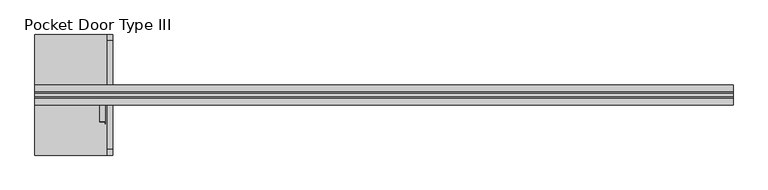
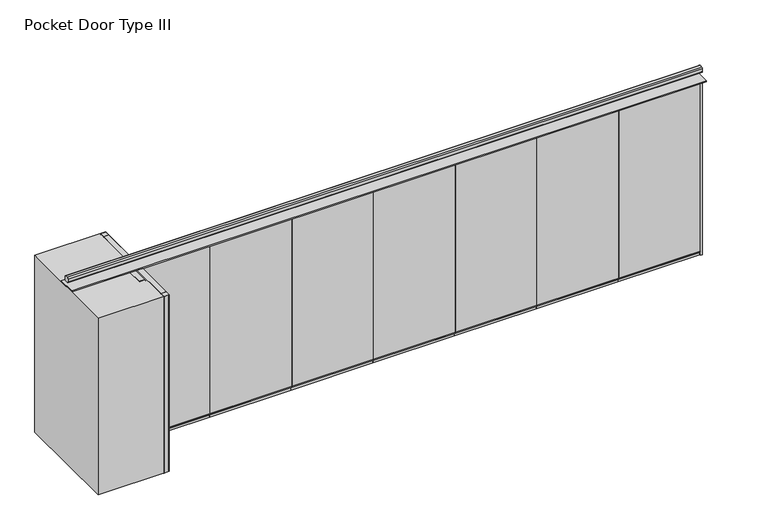
"""IFC4 building model written with IfcOpenShell, lengths in millimetres: proxy geometry, Pocket Door Type III."""

from ifc_helpers import new_model, si_unit, point, frame, frame_2d, origin, origin_with_axes, place, context, project, spatial, polyline, circle_curve, trimmed, segment, composite_curve, outline, extrude, source, transform, mapped, element, save


def pocket_door_type_iii_32455fe4(model_context):
    return source(origin(), model_context, "Body", "SweptSolid", [
        extrude(outline(polyline([(19.05, 0.0), (-19.05, 0.0), (-19.05, 50.8), (-38.1, 50.8), (-38.1, 66.675), (38.1, 66.675), (38.1, 50.8), (19.05, 50.8), (19.05, 0.0)])), frame((4362.6178354, 0.0, 0.0), z_axis=(1.0, 0.0, 0.0), x_axis=(0.0, 1.0, 0.0)), (0.0, 0.0, 1.0), 1192.8928571),
        extrude(outline(polyline([(5555.5106926, -38.1), (4362.6178354, -38.1), (4362.6178354, 38.1), (5555.5106926, 38.1), (5555.5106926, -38.1)])), frame((0.0, 0.0, 2679.7), z_axis=(0.0, 0.0, 1.0), x_axis=(1.0, 0.0, 0.0)), (0.0, 0.0, 1.0), 44.45),
        extrude(outline(polyline([(5555.1574738, 38.1), (5555.1574738, -38.1), (4362.8718354, -38.1), (4362.8718354, 38.1), (5555.1574738, 38.1)])), frame((0.0, 0.0, 66.675), z_axis=(0.0, 0.0, 1.0), x_axis=(1.0, 0.0, 0.0)), (0.0, 0.0, 1.0), 2613.025),
        extrude(outline(polyline([(19.05, 0.0), (-19.05, 0.0), (-19.05, 50.8), (-38.1, 50.8), (-38.1, 66.675), (38.1, 66.675), (38.1, 50.8), (19.05, 50.8), (19.05, 0.0)])), frame((3169.7249783, 0.0, 0.0), z_axis=(1.0, 0.0, 0.0), x_axis=(0.0, 1.0, 0.0)), (0.0, 0.0, 1.0), 1192.8928571),
        extrude(outline(polyline([(4362.6178354, -38.1), (3169.7249783, -38.1), (3169.7249783, 38.1), (4362.6178354, 38.1), (4362.6178354, -38.1)])), frame((0.0, 0.0, 2679.7), z_axis=(0.0, 0.0, 1.0), x_axis=(1.0, 0.0, 0.0)), (0.0, 0.0, 1.0), 44.45),
        extrude(outline(polyline([(4362.2646167, 38.1), (4362.2646167, -38.1), (3169.9789783, -38.1), (3169.9789783, 38.1), (4362.2646167, 38.1)])), frame((0.0, 0.0, 66.675), z_axis=(0.0, 0.0, 1.0), x_axis=(1.0, 0.0, 0.0)), (0.0, 0.0, 1.0), 2613.025),
        extrude(outline(polyline([(19.05, 0.0), (-19.05, 0.0), (-19.05, 50.8), (-38.1, 50.8), (-38.1, 66.675), (38.1, 66.675), (38.1, 50.8), (19.05, 50.8), (19.05, 0.0)])), frame((1976.8321211, 0.0, 0.0), z_axis=(1.0, 0.0, 0.0), x_axis=(0.0, 1.0, 0.0)), (0.0, 0.0, 1.0), 1192.8928571),
        extrude(outline(polyline([(3169.7249783, -38.1), (1976.8321211, -38.1), (1976.8321211, 38.1), (3169.7249783, 38.1), (3169.7249783, -38.1)])), frame((0.0, 0.0, 2679.7), z_axis=(0.0, 0.0, 1.0), x_axis=(1.0, 0.0, 0.0)), (0.0, 0.0, 1.0), 44.45),
        extrude(outline(polyline([(3169.3717595, 38.1), (3169.3717595, -38.1), (1977.0861211, -38.1), (1977.0861211, 38.1), (3169.3717595, 38.1)])), frame((0.0, 0.0, 66.675), z_axis=(0.0, 0.0, 1.0), x_axis=(1.0, 0.0, 0.0)), (0.0, 0.0, 1.0), 2613.025),
        extrude(outline(polyline([(19.05, 0.0), (-19.05, 0.0), (-19.05, 50.8), (-38.1, 50.8), (-38.1, 66.675), (38.1, 66.675), (38.1, 50.8), (19.05, 50.8), (19.05, 0.0)])), frame((783.939264, 0.0, 0.0), z_axis=(1.0, 0.0, 0.0), x_axis=(0.0, 1.0, 0.0)), (0.0, 0.0, 1.0), 1192.8928571),
        extrude(outline(polyline([(1976.8321211, -38.1), (783.939264, -38.1), (783.939264, 38.1), (1976.8321211, 38.1), (1976.8321211, -38.1)])), frame((0.0, 0.0, 2679.7), z_axis=(0.0, 0.0, 1.0), x_axis=(1.0, 0.0, 0.0)), (0.0, 0.0, 1.0), 44.45),
        extrude(outline(polyline([(1976.4789024, 38.1), (1976.4789024, -38.1), (784.193264, -38.1), (784.193264, 38.1), (1976.4789024, 38.1)])), frame((0.0, 0.0, 66.675), z_axis=(0.0, 0.0, 1.0), x_axis=(1.0, 0.0, 0.0)), (0.0, 0.0, 1.0), 2613.025),
        extrude(outline(polyline([(19.05, 0.0), (-19.05, 0.0), (-19.05, 50.8), (-38.1, 50.8), (-38.1, 66.675), (38.1, 66.675), (38.1, 50.8), (19.05, 50.8), (19.05, 0.0)])), frame((-408.9535931, 0.0, 0.0), z_axis=(1.0, 0.0, 0.0), x_axis=(0.0, 1.0, 0.0)), (0.0, 0.0, 1.0), 1192.8928571),
        extrude(outline(polyline([(783.939264, -38.1), (-408.9535931, -38.1), (-408.9535931, 38.1), (783.939264, 38.1), (783.939264, -38.1)])), frame((0.0, 0.0, 2679.7), z_axis=(0.0, 0.0, 1.0), x_axis=(1.0, 0.0, 0.0)), (0.0, 0.0, 1.0), 44.45),
        extrude(outline(polyline([(783.5860452, 38.1), (783.5860452, -38.1), (-408.6995931, -38.1), (-408.6995931, 38.1), (783.5860452, 38.1)])), frame((0.0, 0.0, 66.675), z_axis=(0.0, 0.0, 1.0), x_axis=(1.0, 0.0, 0.0)), (0.0, 0.0, 1.0), 2613.025),
        extrude(outline(composite_curve([segment(polyline([(-1500.2464503, -82.55), (-1500.2464503, -120.65)]), True, "CONTINUOUS"), segment(trimmed(circle_curve(frame_2d((-1506.5964503, -120.65)), 6.35), [point((-1500.2464503, -120.65))], [point((-1506.5964503, -127.0))], False, "CARTESIAN"), True, "CONTINUOUS"), segment(polyline([(-1506.5964503, -127.0), (-1519.2964503, -127.0)]), True, "CONTINUOUS"), segment(trimmed(circle_curve(frame_2d((-1519.2964503, -120.65)), 6.35), [point((-1519.2964503, -127.0))], [point((-1525.6464503, -120.65))], False, "CARTESIAN"), True, "CONTINUOUS"), segment(polyline([(-1525.6464503, -120.65), (-1525.6464503, -38.1), (-1449.4464503, -38.1), (-1449.4464503, -120.65)]), True, "CONTINUOUS"), segment(trimmed(circle_curve(frame_2d((-1455.7964503, -120.65)), 6.35), [point((-1449.4464503, -120.65))], [point((-1455.7964503, -127.0))], False, "CARTESIAN"), True, "CONTINUOUS"), segment(polyline([(-1455.7964503, -127.0), (-1468.4964503, -127.0)]), True, "CONTINUOUS"), segment(trimmed(circle_curve(frame_2d((-1468.4964503, -120.65)), 6.35), [point((-1468.4964503, -127.0))], [point((-1474.8464503, -120.65))], False, "CARTESIAN"), True, "CONTINUOUS"), segment(polyline([(-1474.8464503, -120.65), (-1474.8464503, -82.55), (-1500.2464503, -82.55)]), True, "CONTINUOUS")], self_intersect=False)), origin_with_axes(), (0.0, 0.0, 1.0), 2724.15),
        extrude(outline(composite_curve([segment(polyline([(-1449.4464503, 721.5667931), (-1449.4464503, 129.3332069)]), True, "CONTINUOUS"), segment(trimmed(circle_curve(frame_2d((-1451.7796571, 129.3332069)), 2.3332069), [point((-1449.4464503, 129.3332069))], [point((-1451.7796571, 127.0))], False, "CARTESIAN"), True, "CONTINUOUS"), segment(polyline([(-1451.7796571, 127.0), (-1523.3132434, 127.0)]), True, "CONTINUOUS"), segment(trimmed(circle_curve(frame_2d((-1523.3132434, 129.3332069)), 2.3332069), [point((-1523.3132434, 127.0))], [point((-1525.6464503, 129.3332069))], False, "CARTESIAN"), True, "CONTINUOUS"), segment(polyline([(-1525.6464503, 129.3332069), (-1525.6464503, 721.5667931)]), True, "CONTINUOUS"), segment(trimmed(circle_curve(frame_2d((-1523.3132434, 721.5667931)), 2.3332069), [point((-1525.6464503, 721.5667931))], [point((-1523.3132434, 723.9))], False, "CARTESIAN"), True, "CONTINUOUS"), segment(polyline([(-1523.3132434, 723.9), (-1451.7796571, 723.9)]), True, "CONTINUOUS"), segment(trimmed(circle_curve(frame_2d((-1451.7796571, 721.5667931)), 2.3332069), [point((-1451.7796571, 723.9))], [point((-1449.4464503, 721.5667931))], False, "CARTESIAN"), True, "CONTINUOUS")], self_intersect=False)), origin_with_axes(), (0.0, 0.0, 1.0), 2724.15),
        extrude(outline(polyline([(-1551.0464503, -358.775), (-1627.2464503, -358.775), (-1627.2464503, -355.6), (-1547.8714503, -355.6), (-1547.8714503, -382.5875), (-1551.0464503, -382.5875), (-1551.0464503, -358.775)])), origin_with_axes(), (0.0, 0.0, 1.0), 2724.15),
        extrude(outline(composite_curve([segment(polyline([(-1627.2464503, -355.6), (-1627.2464503, -129.3332069)]), True, "CONTINUOUS"), segment(trimmed(circle_curve(frame_2d((-1624.9132434, -129.3332069)), 2.3332069), [point((-1627.2464503, -129.3332069))], [point((-1624.9132434, -127.0))], False, "CARTESIAN"), True, "CONTINUOUS"), segment(polyline([(-1624.9132434, -127.0), (-1553.3796571, -127.0)]), True, "CONTINUOUS"), segment(trimmed(circle_curve(frame_2d((-1553.3796571, -129.3332069)), 2.3332069), [point((-1553.3796571, -127.0))], [point((-1551.0464503, -129.3332069))], False, "CARTESIAN"), True, "CONTINUOUS"), segment(polyline([(-1551.0464503, -129.3332069), (-1551.0464503, -353.2667931)]), True, "CONTINUOUS"), segment(trimmed(circle_curve(frame_2d((-1553.3796571, -353.2667931)), 2.3332069), [point((-1551.0464503, -353.2667931))], [point((-1553.3796571, -355.6))], False, "CARTESIAN"), True, "CONTINUOUS"), segment(polyline([(-1553.3796571, -355.6), (-1627.2464503, -355.6)]), True, "CONTINUOUS")], self_intersect=False)), origin_with_axes(), (0.0, 0.0, 1.0), 2724.15),
        extrude(outline(polyline([(-1449.4464503, 123.825), (-1525.6464503, 123.825), (-1525.6464503, 127.0), (-1446.2714503, 127.0), (-1446.2714503, 101.6), (-1449.4464503, 101.6), (-1449.4464503, 123.825)])), origin_with_axes(), (0.0, 0.0, 1.0), 2724.15),
        extrude(outline(composite_curve([segment(polyline([(-1449.4464503, 797.7667931), (-1449.4464503, 726.2332069)]), True, "CONTINUOUS"), segment(trimmed(circle_curve(frame_2d((-1451.7796571, 726.2332069)), 2.3332069), [point((-1449.4464503, 726.2332069))], [point((-1451.7796571, 723.9))], False, "CARTESIAN"), True, "CONTINUOUS"), segment(polyline([(-1451.7796571, 723.9), (-1523.3132434, 723.9)]), True, "CONTINUOUS"), segment(trimmed(circle_curve(frame_2d((-1523.3132434, 726.2332069)), 2.3332069), [point((-1523.3132434, 723.9))], [point((-1525.6464503, 726.2332069))], False, "CARTESIAN"), True, "CONTINUOUS"), segment(polyline([(-1525.6464503, 726.2332069), (-1525.6464503, 797.7667931)]), True, "CONTINUOUS"), segment(trimmed(circle_curve(frame_2d((-1523.3132434, 797.7667931)), 2.3332069), [point((-1525.6464503, 797.7667931))], [point((-1523.3132434, 800.1))], False, "CARTESIAN"), True, "CONTINUOUS"), segment(polyline([(-1523.3132434, 800.1), (-1451.7796571, 800.1)]), True, "CONTINUOUS"), segment(trimmed(circle_curve(frame_2d((-1451.7796571, 797.7667931)), 2.3332069), [point((-1451.7796571, 800.1))], [point((-1449.4464503, 797.7667931))], False, "CARTESIAN"), True, "CONTINUOUS")], self_intersect=False)), origin_with_axes(), (0.0, 0.0, 1.0), 2724.15),
        extrude(outline(composite_curve([segment(polyline([(-1449.4464503, -726.2332069), (-1449.4464503, -797.7667931)]), True, "CONTINUOUS"), segment(trimmed(circle_curve(frame_2d((-1451.7796571, -797.7667931)), 2.3332069), [point((-1449.4464503, -797.7667931))], [point((-1451.7796571, -800.1))], False, "CARTESIAN"), True, "CONTINUOUS"), segment(polyline([(-1451.7796571, -800.1), (-1523.3132434, -800.1)]), True, "CONTINUOUS"), segment(trimmed(circle_curve(frame_2d((-1523.3132434, -797.7667931)), 2.3332069), [point((-1523.3132434, -800.1))], [point((-1525.6464503, -797.7667931))], False, "CARTESIAN"), True, "CONTINUOUS"), segment(polyline([(-1525.6464503, -797.7667931), (-1525.6464503, -726.2332069)]), True, "CONTINUOUS"), segment(trimmed(circle_curve(frame_2d((-1523.3132434, -726.2332069)), 2.3332069), [point((-1525.6464503, -726.2332069))], [point((-1523.3132434, -723.9))], False, "CARTESIAN"), True, "CONTINUOUS"), segment(polyline([(-1523.3132434, -723.9), (-1451.7796571, -723.9)]), True, "CONTINUOUS"), segment(trimmed(circle_curve(frame_2d((-1451.7796571, -726.2332069)), 2.3332069), [point((-1451.7796571, -723.9))], [point((-1449.4464503, -726.2332069))], False, "CARTESIAN"), True, "CONTINUOUS")], self_intersect=False)), origin_with_axes(), (0.0, 0.0, 1.0), 2724.15),
        extrude(outline(composite_curve([segment(polyline([(-1449.4464503, -129.3332069), (-1449.4464503, -721.5667931)]), True, "CONTINUOUS"), segment(trimmed(circle_curve(frame_2d((-1451.7796571, -721.5667931)), 2.3332069), [point((-1449.4464503, -721.5667931))], [point((-1451.7796571, -723.9))], False, "CARTESIAN"), True, "CONTINUOUS"), segment(polyline([(-1451.7796571, -723.9), (-1523.3132434, -723.9)]), True, "CONTINUOUS"), segment(trimmed(circle_curve(frame_2d((-1523.3132434, -721.5667931)), 2.3332069), [point((-1523.3132434, -723.9))], [point((-1525.6464503, -721.5667931))], False, "CARTESIAN"), True, "CONTINUOUS"), segment(polyline([(-1525.6464503, -721.5667931), (-1525.6464503, -129.3332069)]), True, "CONTINUOUS"), segment(trimmed(circle_curve(frame_2d((-1523.3132434, -129.3332069)), 2.3332069), [point((-1525.6464503, -129.3332069))], [point((-1523.3132434, -127.0))], False, "CARTESIAN"), True, "CONTINUOUS"), segment(polyline([(-1523.3132434, -127.0), (-1451.7796571, -127.0)]), True, "CONTINUOUS"), segment(trimmed(circle_curve(frame_2d((-1451.7796571, -129.3332069)), 2.3332069), [point((-1451.7796571, -127.0))], [point((-1449.4464503, -129.3332069))], False, "CARTESIAN"), True, "CONTINUOUS")], self_intersect=False)), origin_with_axes(), (0.0, 0.0, 1.0), 2724.15),
        extrude(outline(polyline([(6780.1535497, -38.1), (6748.4035497, -38.1), (6748.4035497, 38.1), (6780.1535497, 38.1), (6780.1535497, -38.1)])), origin_with_axes(), (0.0, 0.0, 1.0), 2724.15),
        extrude(outline(polyline([(19.05, 0.0), (-19.05, 0.0), (-19.05, 50.8), (-38.1, 50.8), (-38.1, 66.675), (38.1, 66.675), (38.1, 50.8), (19.05, 50.8), (19.05, 0.0)])), frame((5555.5106926, 0.0, 0.0), z_axis=(1.0, 0.0, 0.0), x_axis=(0.0, 1.0, 0.0)), (0.0, 0.0, 1.0), 1192.8928571),
        extrude(outline(polyline([(6748.4035497, -38.1), (5555.5106926, -38.1), (5555.5106926, 38.1), (6748.4035497, 38.1), (6748.4035497, -38.1)])), frame((0.0, 0.0, 2679.7), z_axis=(0.0, 0.0, 1.0), x_axis=(1.0, 0.0, 0.0)), (0.0, 0.0, 1.0), 44.45),
        extrude(outline(polyline([(6748.050331, 38.1), (6748.050331, -38.1), (5555.7646926, -38.1), (5555.7646926, 38.1), (6748.050331, 38.1)])), frame((0.0, 0.0, 66.675), z_axis=(0.0, 0.0, 1.0), x_axis=(1.0, 0.0, 0.0)), (0.0, 0.0, 1.0), 2613.025),
        extrude(outline(polyline([(19.05, 0.0), (-19.05, 0.0), (-19.05, 50.8), (-38.1, 50.8), (-38.1, 66.675), (38.1, 66.675), (38.1, 50.8), (19.05, 50.8), (19.05, 0.0)])), frame((-1601.8464503, 0.0, 0.0), z_axis=(1.0, 0.0, 0.0), x_axis=(0.0, 1.0, 0.0)), (0.0, 0.0, 1.0), 1192.8928571),
        extrude(outline(polyline([(-408.9535931, -38.1), (-1601.8464503, -38.1), (-1601.8464503, 38.1), (-408.9535931, 38.1), (-408.9535931, -38.1)])), frame((0.0, 0.0, 2679.7), z_axis=(0.0, 0.0, 1.0), x_axis=(1.0, 0.0, 0.0)), (0.0, 0.0, 1.0), 44.45),
        extrude(outline(polyline([(-409.3068119, 38.1), (-409.3068119, -38.1), (-1601.5924503, -38.1), (-1601.5924503, 38.1), (-409.3068119, 38.1)])), frame((0.0, 0.0, 66.675), z_axis=(0.0, 0.0, 1.0), x_axis=(1.0, 0.0, 0.0)), (0.0, 0.0, 1.0), 2613.025),
        extrude(outline(polyline([(-1449.4464503, 800.1), (-1449.4464503, -800.1), (-2484.4964503, -800.1), (-2484.4964503, 800.1), (-1449.4464503, 800.1)])), origin_with_axes(), (0.0, 0.0, 1.0), 2724.15),
        extrude(outline(polyline([(6780.1535497, -130.175), (-2484.4964503, -130.175), (-2484.4964503, 130.175), (6780.1535497, 130.175), (6780.1535497, -130.175)])), frame((0.0, 0.0, 2724.15), z_axis=(0.0, 0.0, 1.0), x_axis=(1.0, 0.0, 0.0)), (0.0, 0.0, 1.0), 19.05),
        extrude(outline(composite_curve([segment(trimmed(circle_curve(frame_2d((22.225, 2867.025)), 15.875), [point((22.225, 2882.9))], [point((38.1, 2867.025))], False, "CARTESIAN"), True, "CONTINUOUS"), segment(polyline([(38.1, 2867.025), (38.1, 2822.575)]), True, "CONTINUOUS"), segment(trimmed(circle_curve(frame_2d((22.225, 2822.575)), 15.875), [point((38.1, 2822.575))], [point((22.225, 2806.7))], False, "CARTESIAN"), True, "CONTINUOUS"), segment(polyline([(22.225, 2806.7), (-22.225, 2806.7)]), True, "CONTINUOUS"), segment(trimmed(circle_curve(frame_2d((-22.225, 2822.575)), 15.875), [point((-22.225, 2806.7))], [point((-38.1, 2822.575))], False, "CARTESIAN"), True, "CONTINUOUS"), segment(polyline([(-38.1, 2822.575), (-38.1, 2867.025)]), True, "CONTINUOUS"), segment(trimmed(circle_curve(frame_2d((-22.225, 2867.025)), 15.875), [point((-38.1, 2867.025))], [point((-22.225, 2882.9))], False, "CARTESIAN"), True, "CONTINUOUS"), segment(polyline([(-22.225, 2882.9), (22.225, 2882.9)]), True, "CONTINUOUS")], self_intersect=False)), frame((-2484.4964503, 0.0, 0.0), z_axis=(1.0, 0.0, 0.0), x_axis=(0.0, 1.0, 0.0)), (0.0, 0.0, 1.0), 9264.65),
    ])


if __name__ == "__main__":
    model = new_model("IFC4")
    model_context = context("Model", 3, world=origin())
    ifc_project = project(units=[si_unit("LENGTHUNIT", "METRE", prefix="MILLI")], contexts=[model_context])
    site = spatial("IfcSite", under=ifc_project)
    building = spatial("IfcBuilding", under=site)
    placement = place(None, origin())
    pocket_door_type_iii_shape = pocket_door_type_iii_32455fe4(model_context)
    element("IfcBuildingElementProxy", 1, Name="Pocket Door Type III", ObjectType="Pocket Door Type III", at=placement, inside=building, context=model_context, shape_type="MappedRepresentation", body=[
        mapped(pocket_door_type_iii_shape, transform((0.0, 0.0, 0.0), x_axis=(1.0, 0.0, 0.0), y_axis=(0.0, 1.0, 0.0), z_axis=(0.0, 0.0, 1.0))),
    ])
    save(model, "model.ifc")
